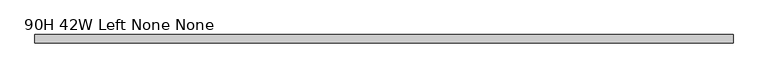
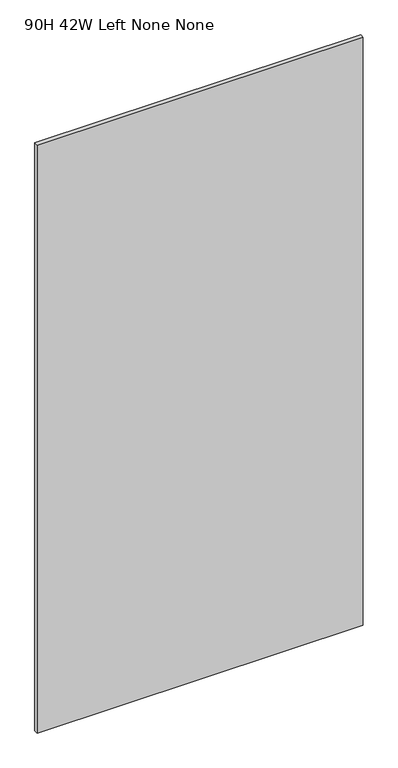
"""IFC4 building model written with IfcOpenShell, lengths in millimetres: furniture geometry, 90H 42W Left None None."""

from ifc_helpers import new_model, si_unit, frame, origin, place, context, project, spatial, polyline, outline, extrude, source, transform, mapped, element, save


def furniture_90h_42w_left_none_none_9041c83f(model_context):
    return source(origin(), model_context, "Body", "SweptSolid", [
        extrude(outline(polyline([(1066.8, -50.8000015), (0.0, -50.8000015), (0.0, -38.1), (1066.8, -38.1), (1066.8, -50.8000015)])), frame((0.0, 0.0, 139.700003), z_axis=(0.0, 0.0, 1.0), x_axis=(1.0, 0.0, 0.0)), (0.0, 0.0, 1.0), 2031.999997),
    ])


if __name__ == "__main__":
    model = new_model("IFC4")
    model_context = context("Model", 3, world=origin())
    ifc_project = project(units=[si_unit("LENGTHUNIT", "METRE", prefix="MILLI")], contexts=[model_context])
    site = spatial("IfcSite", under=ifc_project)
    building = spatial("IfcBuilding", under=site)
    placement = place(None, origin())
    furniture_90h_42w_left_none_none_shape = furniture_90h_42w_left_none_none_9041c83f(model_context)
    element("IfcFurniture", 1, ObjectType="90H 42W Left None None", at=placement, inside=building, context=model_context, shape_type="MappedRepresentation", body=[
        mapped(furniture_90h_42w_left_none_none_shape, transform((0.0, 0.0, 0.0), x_axis=(1.0, 0.0, 0.0), y_axis=(0.0, 1.0, 0.0), z_axis=(0.0, 0.0, 1.0))),
    ])
    save(model, "model.ifc")
